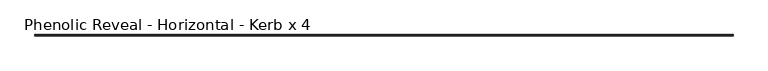
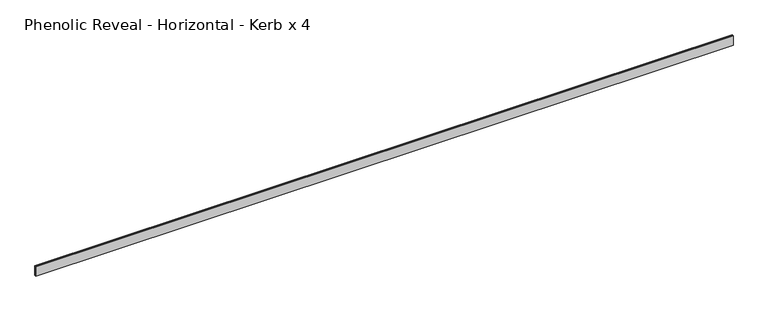
"""IFC4 building model written with IfcOpenShell, lengths in millimetres: proxy geometry, Phenolic Reveal - Horizontal - Kerb x 4."""

from ifc_helpers import new_model, si_unit, origin, place, context, project, spatial, faceted_brep, source, transform, mapped, element, save


def phenolic_reveal_horizontal_kerb_x_4_e9cb1fe6(model_context):
    return source(origin(), model_context, "Body", "Brep", [
        faceted_brep([(5308.6, 9.525, 76.2), (5308.6, 6.0765851, 76.2), (5308.6, 6.0765851, 0.0), (5308.6, 9.525, 0.0), (5308.6, 3.3757545, 0.0), (5308.6, 3.3757545, 76.2), (5308.6, 0.0, 76.2), (5308.6, 0.0, 0.0), (0.0, 9.525, 76.2), (0.0, 9.525, 0.0), (0.0, 6.0765851, 0.0), (0.0, 6.0765851, 76.2), (0.0, 3.3757545, 76.2), (0.0, 3.3757545, 0.0), (0.0, 0.0, 0.0), (0.0, 0.0, 76.2), (5297.4875, 6.0765851, 65.3591015), (5297.4875, 6.0765851, 10.8408985), (11.1125, 6.0765851, 10.8408985), (11.1125, 6.0765851, 65.3591015), (11.1125, 3.3757545, 65.3591015), (5297.4875, 3.3757545, 65.3591015), (11.1125, 3.3757545, 10.8408985), (5297.4875, 3.3757545, 10.8408985)], [[[0, 1, 2, 3]], [[4, 5, 6, 7]], [[8, 9, 10, 11]], [[12, 13, 14, 15]], [[11, 1, 0, 8]], [[2, 1, 11, 10], [16, 17, 18, 19]], [[16, 19, 20, 21]], [[5, 4, 13, 12], [20, 22, 23, 21]], [[6, 5, 12, 15]], [[7, 6, 15, 14]], [[13, 4, 7, 14]], [[23, 22, 18, 17]], [[3, 2, 10, 9]], [[0, 3, 9, 8]], [[21, 23, 17, 16]], [[22, 20, 19, 18]]]),
    ])


if __name__ == "__main__":
    model = new_model("IFC4")
    model_context = context("Model", 3, world=origin())
    ifc_project = project(units=[si_unit("LENGTHUNIT", "METRE", prefix="MILLI")], contexts=[model_context])
    site = spatial("IfcSite", under=ifc_project)
    building = spatial("IfcBuilding", under=site)
    placement = place(None, origin())
    phenolic_reveal_horizontal_kerb_x_4_shape = phenolic_reveal_horizontal_kerb_x_4_e9cb1fe6(model_context)
    element("IfcBuildingElementProxy", 1, Name="Phenolic Reveal - Horizontal - Kerb x 4", ObjectType="Phenolic Reveal - Horizontal - Kerb x 4", at=placement, inside=building, context=model_context, shape_type="MappedRepresentation", body=[
        mapped(phenolic_reveal_horizontal_kerb_x_4_shape, transform((0.0, 0.0, 0.0), x_axis=(1.0, 0.0, 0.0), y_axis=(0.0, 1.0, 0.0), z_axis=(0.0, 0.0, 1.0))),
    ])
    save(model, "model.ifc")
